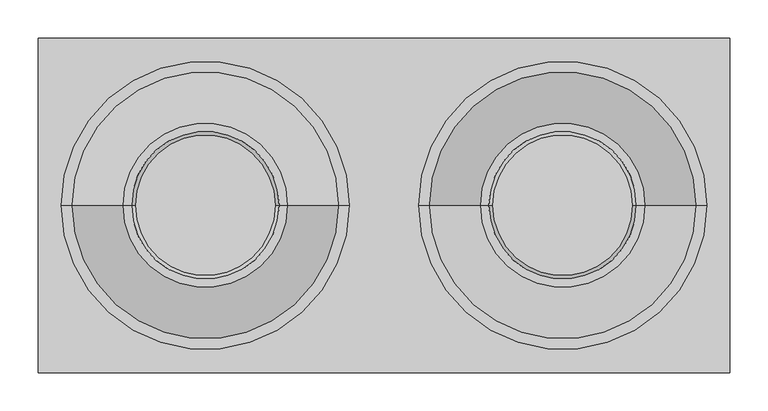
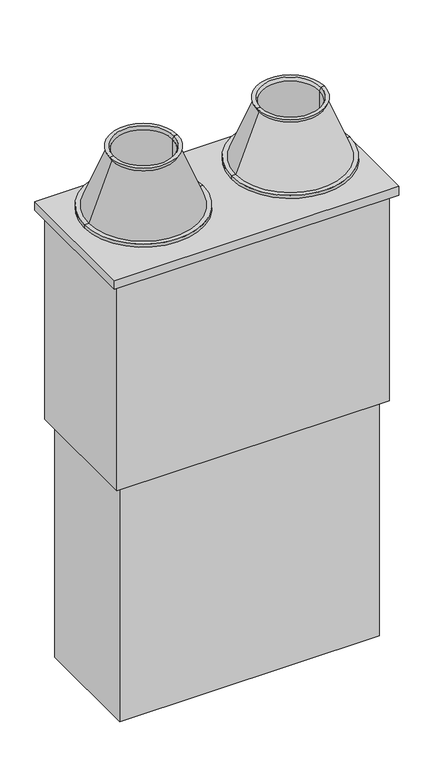
"""IFC4 building model written with IfcOpenShell, lengths in millimetres: proxy geometry."""

from ifc_helpers import new_model, si_unit, point, frame, frame_2d, origin, origin_with_axes, place, context, project, spatial, polyline, circle_curve, trimmed, segment, composite_curve, outline, extrude, source, transform, mapped, element, save
from ifc_brep_helpers import plane_surface, cylinder_surface, revolved_surface, advanced_brep


def specialty_equipment_a3a54b69(model_context):
    return source(origin(), model_context, "Body", "SolidModel", [
        advanced_brep(
        [(337.3879533, 0.0, 1530.0), (327.3879533, 0.0, 1530.0), (142.6120467, 0.0, 1530.0), (132.6120467, 0.0, 1530.0), (337.3879533, 0.0, 1731.9294371), (132.6120467, 0.0, 1731.9294371), (424.5236523, 0.0, 1565.0000007), (403.7621456, 0.0, 1565.0000007), (66.2378544, 0.0, 1565.0000007), (45.4763477, 0.0, 1565.0000007), (424.5236523, 0.0, 1575.0000007), (45.4763477, 0.0, 1575.0000007), (410.5474697, 0.0, 1575.0000007), (59.4525303, 0.0, 1575.0000007), (336.5743344, 0.0, 1761.0405891), (133.4256656, 0.0, 1761.0405891), (332.007355, 0.0, 1775.0000096), (343.0227458, 0.0, 1775.0000096), (126.9772542, 0.0, 1775.0000096), (137.992645, 0.0, 1775.0000096), (327.3879533, 0.0, 1765.0000007), (142.6120467, 0.0, 1765.0000007)],
        [
            (0, 1),
            (1, 2, circle_curve(frame((235.0, 0.0, 1530.0), z_axis=(0.0, 0.0, 1.0), x_axis=(-1.0, 0.0, 0.0)), 92.3879533)),
            (2, 3),
            (3, 0, circle_curve(frame((235.0, 0.0, 1530.0), z_axis=(0.0, 0.0, -1.0), x_axis=(-1.0, 0.0, 0.0)), 102.3879533)),
            (2, 1, circle_curve(frame((235.0, 0.0, 1530.0), z_axis=(0.0, 0.0, 1.0), x_axis=(-1.0, 0.0, 0.0)), 92.3879533)),
            (0, 3, circle_curve(frame((235.0, 0.0, 1530.0), z_axis=(0.0, 0.0, -1.0), x_axis=(-1.0, 0.0, 0.0)), 102.3879533)),
            (4, 0),
            (3, 5),
            (5, 4, circle_curve(frame((235.0, 0.0, 1731.9294371), z_axis=(0.0, 0.0, -1.0), x_axis=(-1.0, 0.0, 0.0)), 102.3879533)),
            (4, 5, circle_curve(frame((235.0, 0.0, 1731.9294371), z_axis=(0.0, 0.0, -1.0), x_axis=(-1.0, 0.0, 0.0)), 102.3879533)),
            (6, 7),
            (7, 8, circle_curve(frame((235.0, 0.0, 1565.0000007), z_axis=(0.0, 0.0, 1.0), x_axis=(-1.0, 0.0, 0.0)), 168.7621456)),
            (8, 9),
            (9, 6, circle_curve(frame((235.0, 0.0, 1565.0000007), z_axis=(0.0, 0.0, -1.0), x_axis=(-1.0, 0.0, 0.0)), 189.5236523)),
            (8, 7, circle_curve(frame((235.0, 0.0, 1565.0000007), z_axis=(0.0, 0.0, 1.0), x_axis=(-1.0, 0.0, 0.0)), 168.7621456)),
            (6, 9, circle_curve(frame((235.0, 0.0, 1565.0000007), z_axis=(0.0, 0.0, -1.0), x_axis=(-1.0, 0.0, 0.0)), 189.5236523)),
            (10, 6),
            (9, 11),
            (11, 10, circle_curve(frame((235.0, 0.0, 1575.0000007), z_axis=(0.0, 0.0, -1.0), x_axis=(-1.0, 0.0, 0.0)), 189.5236523)),
            (10, 11, circle_curve(frame((235.0, 0.0, 1575.0000007), z_axis=(0.0, 0.0, -1.0), x_axis=(-1.0, 0.0, 0.0)), 189.5236523)),
            (12, 10),
            (11, 13),
            (13, 12, circle_curve(frame((235.0, 0.0, 1575.0000007), z_axis=(0.0, 0.0, -1.0), x_axis=(-1.0, 0.0, 0.0)), 175.5474697)),
            (12, 13, circle_curve(frame((235.0, 0.0, 1575.0000007), z_axis=(0.0, 0.0, -1.0), x_axis=(-1.0, 0.0, 0.0)), 175.5474697)),
            (14, 12),
            (13, 15),
            (15, 14, circle_curve(frame((235.0, 0.0, 1761.0405891), z_axis=(0.0, 0.0, -1.0), x_axis=(-1.0, 0.0, 0.0)), 101.5743344)),
            (14, 15, circle_curve(frame((235.0, 0.0, 1761.0405891), z_axis=(0.0, 0.0, -1.0), x_axis=(-1.0, 0.0, 0.0)), 101.5743344)),
            (16, 17),
            (17, 18, circle_curve(frame((235.0, 0.0, 1775.0000096), z_axis=(0.0, 0.0, 1.0), x_axis=(-1.0, 0.0, 0.0)), 108.0227458)),
            (18, 19),
            (19, 16, circle_curve(frame((235.0, 0.0, 1775.0000096), z_axis=(0.0, 0.0, -1.0), x_axis=(-1.0, 0.0, 0.0)), 97.007355)),
            (18, 17, circle_curve(frame((235.0, 0.0, 1775.0000096), z_axis=(0.0, 0.0, 1.0), x_axis=(-1.0, 0.0, 0.0)), 108.0227458)),
            (16, 19, circle_curve(frame((235.0, 0.0, 1775.0000096), z_axis=(0.0, 0.0, -1.0), x_axis=(-1.0, 0.0, 0.0)), 97.007355)),
            (20, 16),
            (19, 21),
            (21, 20, circle_curve(frame((235.0, 0.0, 1765.0000007), z_axis=(0.0, 0.0, -1.0), x_axis=(-1.0, 0.0, 0.0)), 92.3879533)),
            (20, 21, circle_curve(frame((235.0, 0.0, 1765.0000007), z_axis=(0.0, 0.0, -1.0), x_axis=(-1.0, 0.0, 0.0)), 92.3879533)),
            (1, 20),
            (21, 2),
            (7, 4),
            (5, 8),
            (17, 14),
            (15, 18),
        ],
        [
            plane_surface(frame((235.0, 0.0, 1530.0), z_axis=(0.0, 0.0, -1.0), x_axis=(-1.0, 0.0, 0.0))),
            cylinder_surface(frame((235.0, 0.0, 1515.0000096), z_axis=(0.0, 0.0, 1.0), x_axis=(-1.0, 0.0, 0.0)), 102.3879533),
            plane_surface(frame((235.0, 0.0, 1565.0000007), z_axis=(0.0, 0.0, -1.0), x_axis=(-1.0, 0.0, 0.0))),
            cylinder_surface(frame((235.0, 0.0, 1515.0000096), z_axis=(0.0, 0.0, 1.0), x_axis=(-1.0, 0.0, 0.0)), 189.5236523),
            plane_surface(frame((235.0, 0.0, 1575.0000007), z_axis=(0.0, 0.0, 1.0), x_axis=(-1.0, 0.0, 0.0))),
            revolved_surface(polyline([(59.4525303, 0.0, 1575.0000007), (133.4256656, 0.0, 1761.0405891)]), (235.0, 0.0, 1515.0000096), (0.0, 0.0, 1.0)),
            plane_surface(frame((235.0, 0.0, 1775.0000096), z_axis=(0.0, 0.0, 1.0), x_axis=(-1.0, 0.0, 0.0))),
            revolved_surface(polyline([(137.992645, 0.0, 1775.0000096), (142.6120467, 0.0, 1765.0000007)]), (235.0, 0.0, 1515.0000096), (0.0, 0.0, 1.0)),
            revolved_surface(polyline([(142.6120467, 0.0, 1765.0000007), (142.6120467, 0.0, 1530.0)]), (235.0, 0.0, 1515.0000096), (0.0, 0.0, 1.0)),
            revolved_surface(polyline([(132.6120467, 0.0, 1731.9294371), (66.2378544, 0.0, 1565.0000007)]), (235.0, 0.0, 1515.0000096), (0.0, 0.0, 1.0)),
            revolved_surface(polyline([(133.4256656, 0.0, 1761.0405891), (126.9772542, 0.0, 1775.0000096)]), (235.0, 0.0, 1515.0000096), (0.0, 0.0, 1.0)),
        ],
        [
            (0, [[1, 2, 3, 4]]),
            (0, [[-3, 5, -1, 6]]),
            (1, [[7, -4, 8, 9]]),
            (1, [[-8, -6, -7, 10]]),
            (2, [[11, 12, 13, 14]]),
            (2, [[-13, 15, -11, 16]]),
            (3, [[17, -14, 18, 19]]),
            (3, [[-18, -16, -17, 20]]),
            (4, [[21, -19, 22, 23]]),
            (4, [[-22, -20, -21, 24]]),
            (5, [[25, -23, 26, 27]]),
            (5, [[-26, -24, -25, 28]]),
            (6, [[29, 30, 31, 32]]),
            (6, [[-31, 33, -29, 34]]),
            (7, [[35, -32, 36, 37]]),
            (7, [[-36, -34, -35, 38]]),
            (8, [[39, -37, 40, -2]]),
            (8, [[-40, -38, -39, -5]]),
            (9, [[41, -9, 42, -12]]),
            (9, [[-42, -10, -41, -15]]),
            (10, [[43, -27, 44, -30]]),
            (10, [[-44, -28, -43, -33]]),
        ],
    ),
        advanced_brep(
        [(-337.3879533, 0.0, 1530.0), (-132.6120467, 0.0, 1530.0), (-142.6120467, 0.0, 1530.0), (-327.3879533, 0.0, 1530.0), (-337.3879533, 0.0, 1731.9294371), (-132.6120467, 0.0, 1731.9294371), (-424.5236523, 0.0, 1565.0000007), (-45.4763477, 0.0, 1565.0000007), (-66.2378544, 0.0, 1565.0000007), (-403.7621456, 0.0, 1565.0000007), (-424.5236523, 0.0, 1575.0000007), (-45.4763477, 0.0, 1575.0000007), (-410.5474697, 0.0, 1575.0000007), (-59.4525303, 0.0, 1575.0000007), (-336.5743344, 0.0, 1761.0405891), (-133.4256656, 0.0, 1761.0405891), (-332.007355, 0.0, 1775.0000096), (-137.992645, 0.0, 1775.0000096), (-126.9772542, 0.0, 1775.0000096), (-343.0227458, 0.0, 1775.0000096), (-327.3879533, 0.0, 1765.0000007), (-142.6120467, 0.0, 1765.0000007)],
        [
            (0, 1, circle_curve(frame((-235.0, 0.0, 1530.0), z_axis=(0.0, 0.0, -1.0), x_axis=(1.0, 0.0, 0.0)), 102.3879533)),
            (1, 2),
            (2, 3, circle_curve(frame((-235.0, 0.0, 1530.0), z_axis=(0.0, 0.0, 1.0), x_axis=(1.0, 0.0, 0.0)), 92.3879533)),
            (3, 0),
            (1, 0, circle_curve(frame((-235.0, 0.0, 1530.0), z_axis=(0.0, 0.0, -1.0), x_axis=(1.0, 0.0, 0.0)), 102.3879533)),
            (3, 2, circle_curve(frame((-235.0, 0.0, 1530.0), z_axis=(0.0, 0.0, 1.0), x_axis=(1.0, 0.0, 0.0)), 92.3879533)),
            (4, 5, circle_curve(frame((-235.0, 0.0, 1731.9294371), z_axis=(0.0, 0.0, -1.0), x_axis=(1.0, 0.0, 0.0)), 102.3879533)),
            (5, 1),
            (0, 4),
            (5, 4, circle_curve(frame((-235.0, 0.0, 1731.9294371), z_axis=(0.0, 0.0, -1.0), x_axis=(1.0, 0.0, 0.0)), 102.3879533)),
            (6, 7, circle_curve(frame((-235.0, 0.0, 1565.0000007), z_axis=(0.0, 0.0, -1.0), x_axis=(1.0, 0.0, 0.0)), 189.5236523)),
            (7, 8),
            (8, 9, circle_curve(frame((-235.0, 0.0, 1565.0000007), z_axis=(0.0, 0.0, 1.0), x_axis=(1.0, 0.0, 0.0)), 168.7621456)),
            (9, 6),
            (7, 6, circle_curve(frame((-235.0, 0.0, 1565.0000007), z_axis=(0.0, 0.0, -1.0), x_axis=(1.0, 0.0, 0.0)), 189.5236523)),
            (9, 8, circle_curve(frame((-235.0, 0.0, 1565.0000007), z_axis=(0.0, 0.0, 1.0), x_axis=(1.0, 0.0, 0.0)), 168.7621456)),
            (10, 11, circle_curve(frame((-235.0, 0.0, 1575.0000007), z_axis=(0.0, 0.0, -1.0), x_axis=(1.0, 0.0, 0.0)), 189.5236523)),
            (11, 7),
            (6, 10),
            (11, 10, circle_curve(frame((-235.0, 0.0, 1575.0000007), z_axis=(0.0, 0.0, -1.0), x_axis=(1.0, 0.0, 0.0)), 189.5236523)),
            (12, 13, circle_curve(frame((-235.0, 0.0, 1575.0000007), z_axis=(0.0, 0.0, -1.0), x_axis=(1.0, 0.0, 0.0)), 175.5474697)),
            (13, 11),
            (10, 12),
            (13, 12, circle_curve(frame((-235.0, 0.0, 1575.0000007), z_axis=(0.0, 0.0, -1.0), x_axis=(1.0, 0.0, 0.0)), 175.5474697)),
            (14, 15, circle_curve(frame((-235.0, 0.0, 1761.0405891), z_axis=(0.0, 0.0, -1.0), x_axis=(1.0, 0.0, 0.0)), 101.5743344)),
            (15, 13),
            (12, 14),
            (15, 14, circle_curve(frame((-235.0, 0.0, 1761.0405891), z_axis=(0.0, 0.0, -1.0), x_axis=(1.0, 0.0, 0.0)), 101.5743344)),
            (16, 17, circle_curve(frame((-235.0, 0.0, 1775.0000096), z_axis=(0.0, 0.0, -1.0), x_axis=(1.0, 0.0, 0.0)), 97.007355)),
            (17, 18),
            (18, 19, circle_curve(frame((-235.0, 0.0, 1775.0000096), z_axis=(0.0, 0.0, 1.0), x_axis=(1.0, 0.0, 0.0)), 108.0227458)),
            (19, 16),
            (17, 16, circle_curve(frame((-235.0, 0.0, 1775.0000096), z_axis=(0.0, 0.0, -1.0), x_axis=(1.0, 0.0, 0.0)), 97.007355)),
            (19, 18, circle_curve(frame((-235.0, 0.0, 1775.0000096), z_axis=(0.0, 0.0, 1.0), x_axis=(1.0, 0.0, 0.0)), 108.0227458)),
            (20, 21, circle_curve(frame((-235.0, 0.0, 1765.0000007), z_axis=(0.0, 0.0, -1.0), x_axis=(1.0, 0.0, 0.0)), 92.3879533)),
            (21, 17),
            (16, 20),
            (21, 20, circle_curve(frame((-235.0, 0.0, 1765.0000007), z_axis=(0.0, 0.0, -1.0), x_axis=(1.0, 0.0, 0.0)), 92.3879533)),
            (2, 21),
            (20, 3),
            (8, 5),
            (4, 9),
            (18, 15),
            (14, 19),
        ],
        [
            plane_surface(frame((-235.0, 0.0, 1530.0), z_axis=(0.0, 0.0, -1.0), x_axis=(1.0, 0.0, 0.0))),
            cylinder_surface(frame((-235.0, 0.0, 1515.0000096), z_axis=(0.0, 0.0, 1.0), x_axis=(1.0, 0.0, 0.0)), 102.3879533),
            plane_surface(frame((-235.0, 0.0, 1565.0000007), z_axis=(0.0, 0.0, -1.0), x_axis=(1.0, 0.0, 0.0))),
            cylinder_surface(frame((-235.0, 0.0, 1515.0000096), z_axis=(0.0, 0.0, 1.0), x_axis=(1.0, 0.0, 0.0)), 189.5236523),
            plane_surface(frame((-235.0, 0.0, 1575.0000007), z_axis=(0.0, 0.0, 1.0), x_axis=(1.0, 0.0, 0.0))),
            revolved_surface(polyline([(-59.4525303, 0.0, 1575.0000007), (-133.4256656, 0.0, 1761.0405891)]), (-235.0, 0.0, 1515.0000096), (0.0, 0.0, 1.0)),
            plane_surface(frame((-235.0, 0.0, 1775.0000096), z_axis=(0.0, 0.0, 1.0), x_axis=(1.0, 0.0, 0.0))),
            revolved_surface(polyline([(-137.992645, 0.0, 1775.0000096), (-142.6120467, 0.0, 1765.0000007)]), (-235.0, 0.0, 1515.0000096), (0.0, 0.0, 1.0)),
            revolved_surface(polyline([(-142.6120467, 0.0, 1765.0000007), (-142.6120467, 0.0, 1530.0)]), (-235.0, 0.0, 1515.0000096), (0.0, 0.0, 1.0)),
            revolved_surface(polyline([(-132.6120467, 0.0, 1731.9294371), (-66.2378544, 0.0, 1565.0000007)]), (-235.0, 0.0, 1515.0000096), (0.0, 0.0, 1.0)),
            revolved_surface(polyline([(-133.4256656, 0.0, 1761.0405891), (-126.9772542, 0.0, 1775.0000096)]), (-235.0, 0.0, 1515.0000096), (0.0, 0.0, 1.0)),
        ],
        [
            (0, [[1, 2, 3, 4]]),
            (0, [[5, -4, 6, -2]]),
            (1, [[7, 8, -1, 9]]),
            (1, [[10, -9, -5, -8]]),
            (2, [[11, 12, 13, 14]]),
            (2, [[15, -14, 16, -12]]),
            (3, [[17, 18, -11, 19]]),
            (3, [[20, -19, -15, -18]]),
            (4, [[21, 22, -17, 23]]),
            (4, [[24, -23, -20, -22]]),
            (5, [[25, 26, -21, 27]]),
            (5, [[28, -27, -24, -26]]),
            (6, [[29, 30, 31, 32]]),
            (6, [[33, -32, 34, -30]]),
            (7, [[35, 36, -29, 37]]),
            (7, [[38, -37, -33, -36]]),
            (8, [[-3, 39, -35, 40]]),
            (8, [[-6, -40, -38, -39]]),
            (9, [[-13, 41, -7, 42]]),
            (9, [[-16, -42, -10, -41]]),
            (10, [[-31, 43, -25, 44]]),
            (10, [[-34, -44, -28, -43]]),
        ],
    ),
        extrude(outline(composite_curve([segment(trimmed(circle_curve(frame_2d((235.0, 0.0)), 140.0), [point((375.0, 0.0))], [point((95.0, 0.0))], False, "CARTESIAN"), True, "CONTINUOUS"), segment(trimmed(circle_curve(frame_2d((235.0, 0.0)), 140.0), [point((95.0, 0.0))], [point((375.0, 0.0))], False, "CARTESIAN"), True, "CONTINUOUS")], self_intersect=False), holes=[composite_curve([segment(trimmed(circle_curve(frame_2d((235.0, 0.0)), 80.0), [point((315.0, 0.0))], [point((155.0, 0.0))], True, "CARTESIAN"), True, "CONTINUOUS"), segment(trimmed(circle_curve(frame_2d((235.0, 0.0)), 80.0), [point((155.0, 0.0))], [point((315.0, 0.0))], True, "CARTESIAN"), True, "CONTINUOUS")], self_intersect=False)]), origin_with_axes(), (0.0, 0.0, 1.0), 1500.0),
        extrude(outline(composite_curve([segment(trimmed(circle_curve(frame_2d((235.0, 0.0)), 80.0), [point((315.0, 0.0))], [point((155.0, 0.0))], False, "CARTESIAN"), True, "CONTINUOUS"), segment(trimmed(circle_curve(frame_2d((235.0, 0.0)), 80.0), [point((155.0, 0.0))], [point((315.0, 0.0))], False, "CARTESIAN"), True, "CONTINUOUS")], self_intersect=False), holes=[composite_curve([segment(trimmed(circle_curve(frame_2d((235.0, 0.0)), 70.0), [point((305.0, 0.0))], [point((165.0, 0.0))], True, "CARTESIAN"), True, "CONTINUOUS"), segment(trimmed(circle_curve(frame_2d((235.0, 0.0)), 70.0), [point((165.0, 0.0))], [point((305.0, 0.0))], True, "CARTESIAN"), True, "CONTINUOUS")], self_intersect=False)]), origin_with_axes(), (0.0, 0.0, 1.0), 1500.0),
        extrude(outline(polyline([(415.0, 180.0), (415.0, -180.0), (-415.0, -180.0), (-415.0, 180.0), (415.0, 180.0)]), holes=[composite_curve([segment(polyline([(-362.8215491, -57.110871), (-376.4213562, -70.7106781), (-376.4213562, -98.9949494), (-333.9949494, -141.4213562), (-305.7106781, -141.4213562), (-292.110871, -127.8215491)]), True, "CONTINUOUS"), segment(trimmed(circle_curve(frame_2d((-235.0, 0.0)), 140.0), [point((-292.110871, -127.8215491))], [point((-177.889129, -127.8215491))], True, "CARTESIAN"), True, "CONTINUOUS"), segment(polyline([(-177.889129, -127.8215491), (-164.2893219, -141.4213562), (-136.0050506, -141.4213562), (-93.5786438, -98.9949494), (-93.5786438, -70.7106781), (-107.1784509, -57.110871)]), True, "CONTINUOUS"), segment(trimmed(circle_curve(frame_2d((-235.0, 0.0)), 140.0), [point((-107.1784509, -57.110871))], [point((-107.1784509, 57.110871))], True, "CARTESIAN"), True, "CONTINUOUS"), segment(polyline([(-107.1784509, 57.110871), (-93.5786438, 70.7106781), (-93.5786438, 98.9949494), (-136.0050506, 141.4213562), (-164.2893219, 141.4213562), (-177.889129, 127.8215491)]), True, "CONTINUOUS"), segment(trimmed(circle_curve(frame_2d((-235.0, 0.0)), 140.0), [point((-177.889129, 127.8215491))], [point((-292.110871, 127.8215491))], True, "CARTESIAN"), True, "CONTINUOUS"), segment(polyline([(-292.110871, 127.8215491), (-305.7106781, 141.4213562), (-333.9949494, 141.4213562), (-376.4213562, 98.9949494), (-376.4213562, 70.7106781), (-362.8215491, 57.110871)]), True, "CONTINUOUS"), segment(trimmed(circle_curve(frame_2d((-235.0, 0.0)), 140.0), [point((-362.8215491, 57.110871))], [point((-362.8215491, -57.110871))], True, "CARTESIAN"), True, "CONTINUOUS")], self_intersect=False), composite_curve([segment(trimmed(circle_curve(frame_2d((-380.2798794, 145.2798794)), 15.0), [point((-395.2798794, 145.2798794))], [point((-365.2798794, 145.2798794))], True, "CARTESIAN"), True, "CONTINUOUS"), segment(trimmed(circle_curve(frame_2d((-380.2798794, 145.2798794)), 15.0), [point((-365.2798794, 145.2798794))], [point((-395.2798794, 145.2798794))], True, "CARTESIAN"), True, "CONTINUOUS")], self_intersect=False), composite_curve([segment(trimmed(circle_curve(frame_2d((-380.2798794, -145.2798794)), 15.0), [point((-395.2798794, -145.2798794))], [point((-365.2798794, -145.2798794))], True, "CARTESIAN"), True, "CONTINUOUS"), segment(trimmed(circle_curve(frame_2d((-380.2798794, -145.2798794)), 15.0), [point((-365.2798794, -145.2798794))], [point((-395.2798794, -145.2798794))], True, "CARTESIAN"), True, "CONTINUOUS")], self_intersect=False), composite_curve([segment(trimmed(circle_curve(frame_2d((55.0, -109.1624358)), 20.0), [point((55.0, -129.1624358))], [point((75.0, -109.1624358))], True, "CARTESIAN"), True, "CONTINUOUS"), segment(polyline([(75.0, -109.1624358), (75.0, 110.0)]), True, "CONTINUOUS"), segment(trimmed(circle_curve(frame_2d((55.0, 110.0)), 20.0), [point((75.0, 110.0))], [point((55.0, 130.0))], True, "CARTESIAN"), True, "CONTINUOUS"), segment(polyline([(55.0, 130.0), (-55.0, 130.0)]), True, "CONTINUOUS"), segment(trimmed(circle_curve(frame_2d((-55.0, 110.0)), 20.0), [point((-55.0, 130.0))], [point((-75.0, 110.0))], True, "CARTESIAN"), True, "CONTINUOUS"), segment(polyline([(-75.0, 110.0), (-75.0, -109.1624358)]), True, "CONTINUOUS"), segment(trimmed(circle_curve(frame_2d((-55.0, -109.1624358)), 20.0), [point((-75.0, -109.1624358))], [point((-55.0, -129.1624358))], True, "CARTESIAN"), True, "CONTINUOUS"), segment(polyline([(-55.0, -129.1624358), (55.0, -129.1624358)]), True, "CONTINUOUS")], self_intersect=False), composite_curve([segment(trimmed(circle_curve(frame_2d((235.0, 0.0)), 140.0), [point((362.8215491, -57.110871))], [point((362.8215491, 57.110871))], True, "CARTESIAN"), True, "CONTINUOUS"), segment(polyline([(362.8215491, 57.110871), (376.4213562, 70.7106781), (376.4213562, 98.9949494), (333.9949494, 141.4213562), (305.7106781, 141.4213562), (292.110871, 127.8215491)]), True, "CONTINUOUS"), segment(trimmed(circle_curve(frame_2d((235.0, 0.0)), 140.0), [point((292.110871, 127.8215491))], [point((177.889129, 127.8215491))], True, "CARTESIAN"), True, "CONTINUOUS"), segment(polyline([(177.889129, 127.8215491), (164.2893219, 141.4213562), (136.0050506, 141.4213562), (93.5786438, 98.9949494), (93.5786438, 70.7106781), (107.1784509, 57.110871)]), True, "CONTINUOUS"), segment(trimmed(circle_curve(frame_2d((235.0, 0.0)), 140.0), [point((107.1784509, 57.110871))], [point((107.1784509, -57.110871))], True, "CARTESIAN"), True, "CONTINUOUS"), segment(polyline([(107.1784509, -57.110871), (93.5786438, -70.7106781), (93.5786438, -98.9949494), (136.0050506, -141.4213562), (164.2893219, -141.4213562), (177.889129, -127.8215491)]), True, "CONTINUOUS"), segment(trimmed(circle_curve(frame_2d((235.0, 0.0)), 140.0), [point((177.889129, -127.8215491))], [point((292.110871, -127.8215491))], True, "CARTESIAN"), True, "CONTINUOUS"), segment(polyline([(292.110871, -127.8215491), (305.7106781, -141.4213562), (333.9949494, -141.4213562), (376.4213562, -98.9949494), (376.4213562, -70.7106781), (362.8215491, -57.110871)]), True, "CONTINUOUS")], self_intersect=False), composite_curve([segment(trimmed(circle_curve(frame_2d((380.2798794, 145.2798794)), 15.0), [point((395.2798794, 145.2798794))], [point((365.2798794, 145.2798794))], True, "CARTESIAN"), True, "CONTINUOUS"), segment(trimmed(circle_curve(frame_2d((380.2798794, 145.2798794)), 15.0), [point((365.2798794, 145.2798794))], [point((395.2798794, 145.2798794))], True, "CARTESIAN"), True, "CONTINUOUS")], self_intersect=False), composite_curve([segment(trimmed(circle_curve(frame_2d((380.2798794, -145.2798794)), 15.0), [point((395.2798794, -145.2798794))], [point((365.2798794, -145.2798794))], True, "CARTESIAN"), True, "CONTINUOUS"), segment(trimmed(circle_curve(frame_2d((380.2798794, -145.2798794)), 15.0), [point((365.2798794, -145.2798794))], [point((395.2798794, -145.2798794))], True, "CARTESIAN"), True, "CONTINUOUS")], self_intersect=False)]), origin_with_axes(), (0.0, 0.0, 1.0), 1500.0),
        extrude(outline(composite_curve([segment(trimmed(circle_curve(frame_2d((-235.0, 0.0)), 140.0), [point((-375.0, 0.0))], [point((-95.0, 0.0))], False, "CARTESIAN"), True, "CONTINUOUS"), segment(trimmed(circle_curve(frame_2d((-235.0, 0.0)), 140.0), [point((-95.0, 0.0))], [point((-375.0, 0.0))], False, "CARTESIAN"), True, "CONTINUOUS")], self_intersect=False), holes=[composite_curve([segment(trimmed(circle_curve(frame_2d((-235.0, 0.0)), 80.0), [point((-315.0, 0.0))], [point((-155.0, 0.0))], True, "CARTESIAN"), True, "CONTINUOUS"), segment(trimmed(circle_curve(frame_2d((-235.0, 0.0)), 80.0), [point((-155.0, 0.0))], [point((-315.0, 0.0))], True, "CARTESIAN"), True, "CONTINUOUS")], self_intersect=False)]), origin_with_axes(), (0.0, 0.0, 1.0), 1500.0),
        extrude(outline(composite_curve([segment(trimmed(circle_curve(frame_2d((-235.0, 0.0)), 80.0), [point((-315.0, 0.0))], [point((-155.0, 0.0))], False, "CARTESIAN"), True, "CONTINUOUS"), segment(trimmed(circle_curve(frame_2d((-235.0, 0.0)), 80.0), [point((-155.0, 0.0))], [point((-315.0, 0.0))], False, "CARTESIAN"), True, "CONTINUOUS")], self_intersect=False), holes=[composite_curve([segment(trimmed(circle_curve(frame_2d((-235.0, 0.0)), 70.0), [point((-305.0, 0.0))], [point((-165.0, 0.0))], True, "CARTESIAN"), True, "CONTINUOUS"), segment(trimmed(circle_curve(frame_2d((-235.0, 0.0)), 70.0), [point((-165.0, 0.0))], [point((-305.0, 0.0))], True, "CARTESIAN"), True, "CONTINUOUS")], self_intersect=False)]), origin_with_axes(), (0.0, 0.0, 1.0), 1500.0),
        extrude(outline(polyline([(-455.0, -220.0), (-455.0, 220.0), (455.0, 220.0), (455.0, -220.0), (-455.0, -220.0)])), frame((0.0, 0.0, 1500.0), z_axis=(0.0, 0.0, 1.0), x_axis=(1.0, 0.0, 0.0)), (0.0, 0.0, 1.0), 30.0),
        extrude(outline(polyline([(435.0, 200.0), (435.0, -200.0), (-435.0, -200.0), (-435.0, 200.0), (435.0, 200.0)]), holes=[polyline([(415.0, 180.0), (-415.0, 180.0), (-415.0, -180.0), (415.0, -180.0), (415.0, 180.0)])]), frame((0.0, 0.0, 800.0), z_axis=(0.0, 0.0, 1.0), x_axis=(1.0, 0.0, 0.0)), (0.0, 0.0, 1.0), 700.0),
    ])


if __name__ == "__main__":
    model = new_model("IFC4")
    model_context = context("Model", 3, world=origin())
    ifc_project = project(units=[si_unit("LENGTHUNIT", "METRE", prefix="MILLI")], contexts=[model_context])
    site = spatial("IfcSite", under=ifc_project)
    building = spatial("IfcBuilding", under=site)
    placement = place(None, origin())
    specialty_equipment_shape = specialty_equipment_a3a54b69(model_context)
    element("IfcBuildingElementProxy", 1, Name="Specialty Equipment", at=placement, inside=building, context=model_context, shape_type="MappedRepresentation", body=[
        mapped(specialty_equipment_shape, transform((0.0, 0.0, 0.0), x_axis=(1.0, 0.0, 0.0), y_axis=(0.0, 1.0, 0.0), z_axis=(0.0, 0.0, 1.0))),
    ])
    save(model, "model.ifc")
